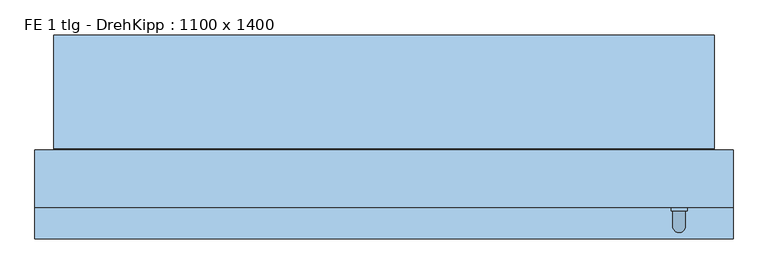
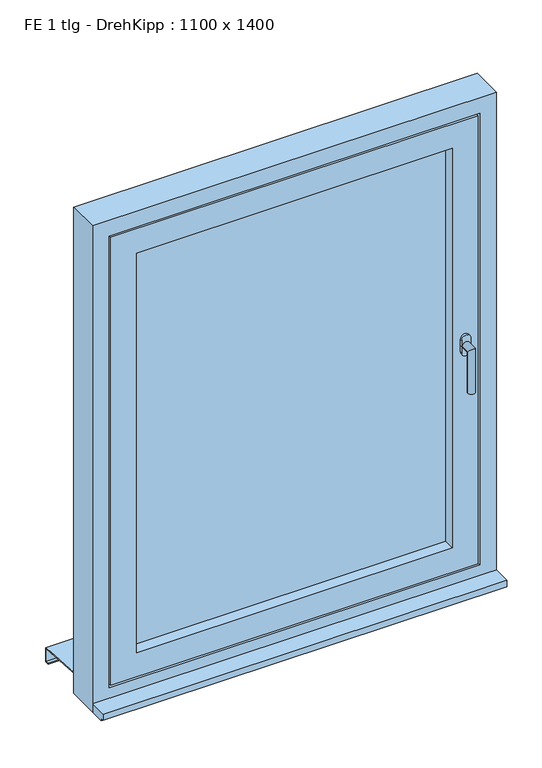
"""IFC4 building model written with IfcOpenShell, lengths in millimetres: window geometry, FE 1 tlg - DrehKipp : 1100 x 1400."""

from ifc_helpers import new_model, si_unit, frame, origin, place, context, project, spatial, polyline, circle_curve, ellipse_curve, outline, extrude, faceted_brep, source, transform, mapped, element, save
from ifc_brep_helpers import plane_surface, cylinder_surface, advanced_brep


def fe_1_tlg_drehkipp_1100_x_1400_ea7e7e76(model_context):
    return source(origin(), model_context, "Body", "SolidModel", [
        advanced_brep(
        [(452.5, -100.0, 1572.5), (477.5, -100.0, 1572.5), (477.5, -100.0, 1555.0), (477.5, -100.0, 1537.5), (452.5, -100.0, 1537.5), (452.5, -100.0, 1555.0), (475.0, -130.0, 1555.0), (475.0, -106.0, 1555.0), (455.0, -106.0, 1555.0), (455.0, -130.0, 1555.0), (475.0, -130.0, 1435.0), (455.0, -130.0, 1435.0), (452.5, -106.0, 1572.5), (452.5, -106.0, 1555.0), (452.5, -106.0, 1537.5), (477.5, -106.0, 1537.5), (477.5, -106.0, 1555.0), (477.5, -106.0, 1572.5)],
        [
            (0, 1, circle_curve(frame((465.0, -100.0, 1572.5), z_axis=(0.0, 1.0, 0.0), x_axis=(-1.0, 0.0, 0.0)), 12.5)),
            (1, 2),
            (2, 3),
            (3, 4, circle_curve(frame((465.0, -100.0, 1537.5), z_axis=(0.0, 1.0, 0.0), x_axis=(-1.0, 0.0, 0.0)), 12.5)),
            (4, 5),
            (5, 0),
            (6, 7),
            (7, 8, circle_curve(frame((465.0, -106.0, 1555.0), z_axis=(0.0, -1.0, 0.0), x_axis=(-1.0, 0.0, 0.0)), 10.0)),
            (8, 9),
            (9, 6, ellipse_curve(frame((465.0, -130.0, 1555.0), z_axis=(0.0, 0.7071067811865498, 0.7071067811865451), x_axis=(0.0, 0.7071067811865452, -0.7071067811865497)), 14.1421356, 10.0)),
            (8, 7, circle_curve(frame((465.0, -106.0, 1555.0), z_axis=(0.0, -1.0, 0.0), x_axis=(-1.0, 0.0, 0.0)), 10.0)),
            (6, 9, ellipse_curve(frame((465.0, -130.0, 1555.0), z_axis=(0.0, 0.7071067811865498, 0.7071067811865451), x_axis=(0.0, 0.7071067811865452, -0.7071067811865497)), 14.1421356, 10.0)),
            (10, 11, circle_curve(frame((465.0, -130.0, 1435.0), z_axis=(0.0, 0.0, -1.0), x_axis=(-1.0, 0.0, 0.0)), 10.0)),
            (11, 10, circle_curve(frame((465.0, -130.0, 1435.0), z_axis=(0.0, 0.0, -1.0), x_axis=(-1.0, 0.0, 0.0)), 10.0)),
            (9, 11),
            (10, 6),
            (12, 13),
            (13, 14),
            (14, 15, circle_curve(frame((465.0, -106.0, 1537.5), z_axis=(0.0, -1.0, 0.0), x_axis=(-1.0, 0.0, 0.0)), 12.5)),
            (15, 16),
            (16, 17),
            (17, 12, circle_curve(frame((465.0, -106.0, 1572.5), z_axis=(0.0, -1.0, 0.0), x_axis=(-1.0, 0.0, 0.0)), 12.5)),
            (17, 1),
            (0, 12),
            (16, 2),
            (15, 3),
            (14, 4),
            (13, 5),
        ],
        [
            plane_surface(frame((465.0, -100.0, 1555.0), z_axis=(0.0, 1.0, 0.0), x_axis=(-1.0, 0.0, 0.0))),
            cylinder_surface(frame((465.0, -100.0, 1555.0), z_axis=(0.0, 1.0, 0.0), x_axis=(-1.0, 0.0, 0.0)), 10.0),
            plane_surface(frame((465.0, -130.0, 1435.0), z_axis=(0.0, 0.0, -1.0), x_axis=(-1.0, 0.0, 0.0))),
            cylinder_surface(frame((465.0, -130.0, 1555.0), z_axis=(0.0, 0.0, 1.0), x_axis=(-1.0, 0.0, 0.0)), 10.0),
            plane_surface(frame((452.5, -106.0, 1572.5), z_axis=(0.0, -1.0, 0.0), x_axis=(0.0, 0.0, 1.0))),
            cylinder_surface(frame((465.0, -100.0, 1572.5), z_axis=(0.0, -1.0, 0.0), x_axis=(-1.0, 0.0, 0.0)), 12.5),
            plane_surface(frame((477.5, -106.0, 1572.5), z_axis=(1.0, 0.0, 0.0), x_axis=(0.0, 1.0, 0.0))),
            plane_surface(frame((477.5, -106.0, 1555.0), z_axis=(1.0, 0.0, 0.0), x_axis=(0.0, 1.0, 0.0))),
            cylinder_surface(frame((465.0, -100.0, 1537.5), z_axis=(0.0, -1.0, 0.0), x_axis=(-1.0, 0.0, 0.0)), 12.5),
            plane_surface(frame((452.5, -106.0, 1537.5), z_axis=(-1.0, 0.0, 0.0), x_axis=(0.0, 1.0, 0.0))),
            plane_surface(frame((452.5, -106.0, 1555.0), z_axis=(-1.0, 0.0, 0.0), x_axis=(0.0, 1.0, 0.0))),
        ],
        [
            (0, [[1, 2, 3, 4, 5, 6]]),
            (1, [[7, 8, 9, 10]]),
            (1, [[-9, 11, -7, 12]]),
            (2, [[13, 14]]),
            (3, [[15, -13, 16, -10]]),
            (3, [[-16, -14, -15, -12]]),
            (4, [[17, 18, 19, 20, 21, 22], [-11, -8]]),
            (5, [[23, -1, 24, -22]]),
            (6, [[25, -2, -23, -21]]),
            (7, [[26, -3, -25, -20]]),
            (8, [[27, -4, -26, -19]]),
            (9, [[28, -5, -27, -18]]),
            (10, [[-24, -6, -28, -17]]),
        ],
    ),
        faceted_brep([(-430.0, -100.0, 2130.0), (-430.0, -100.0, 980.0), (-430.0, -10.0, 980.0), (-430.0, -10.0, 2130.0), (-460.0, -10.0, 950.0), (-460.0, -10.0, 2160.0), (460.0, -10.0, 2160.0), (460.0, -10.0, 950.0), (430.0, -10.0, 980.0), (430.0, -10.0, 2130.0), (430.0, -100.0, 980.0), (-500.0, -100.0, 2200.0), (-500.0, -100.0, 910.0), (500.0, -100.0, 910.0), (500.0, -100.0, 2200.0), (430.0, -100.0, 2130.0), (-500.0, -85.0, 2200.0), (-500.0, -85.0, 910.0), (500.0, -85.0, 910.0), (500.0, -85.0, 2200.0), (-485.0, -85.0, 2185.0), (-485.0, -85.0, 925.0), (485.0, -85.0, 925.0), (485.0, -85.0, 2185.0), (-485.0, -55.0, 2185.0), (-485.0, -55.0, 925.0), (485.0, -55.0, 925.0), (485.0, -55.0, 2185.0), (-475.0, -55.0, 2175.0), (-475.0, -55.0, 935.0), (475.0, -55.0, 935.0), (475.0, -55.0, 2175.0), (-475.0, -25.0, 2175.0), (-475.0, -25.0, 935.0), (475.0, -25.0, 935.0), (475.0, -25.0, 2175.0), (-460.0, -25.0, 2160.0), (-460.0, -25.0, 950.0), (460.0, -25.0, 950.0), (460.0, -25.0, 2160.0)], [[[0, 1, 2, 3]], [[4, 5, 6, 7], [3, 2, 8, 9]], [[1, 10, 8, 2]], [[11, 12, 13, 14], [1, 0, 15, 10]], [[16, 17, 12, 11]], [[17, 18, 13, 12]], [[17, 16, 19, 18], [20, 21, 22, 23]], [[24, 25, 21, 20]], [[25, 26, 22, 21]], [[25, 24, 27, 26], [28, 29, 30, 31]], [[32, 33, 29, 28]], [[33, 34, 30, 29]], [[33, 32, 35, 34], [36, 37, 38, 39]], [[5, 4, 37, 36]], [[4, 7, 38, 37]], [[10, 15, 9, 8]], [[18, 19, 14, 13]], [[26, 27, 23, 22]], [[34, 35, 31, 30]], [[7, 6, 39, 38]], [[15, 0, 3, 9]], [[19, 16, 11, 14]], [[27, 24, 20, 23]], [[35, 32, 28, 31]], [[6, 5, 36, 39]]]),
        extrude(outline(polyline([(-430.0, -25.0), (430.0, -25.0), (430.0, -69.0), (-430.0, -69.0), (-430.0, -25.0)])), frame((0.0, 0.0, 980.0), z_axis=(0.0, 0.0, 1.0), x_axis=(1.0, 0.0, 0.0)), (0.0, 0.0, 1.0), 1150.0),
        faceted_brep([(-520.0, 172.0, 860.6252434), (-520.0, 150.0, 862.0002434), (-520.0, -8.0, 871.8752434), (520.0, -8.0, 871.8752434), (520.0, 150.0, 862.0002434), (520.0, 172.0, 860.6252434), (-520.0, 172.0, 820.6252434), (520.0, 172.0, 820.6252434), (-520.0, 160.0, 820.6252434), (520.0, 160.0, 820.6252434), (-520.0, 160.0, 822.6252434), (520.0, 160.0, 822.6252434), (-520.0, 170.0, 822.6252434), (520.0, 170.0, 822.6252434), (-520.0, 170.0, 858.75), (520.0, 170.0, 858.75), (-520.0, 150.0, 860.0), (520.0, 150.0, 860.0), (520.0, -10.0, 870.0), (-520.0, -10.0, 870.0), (-520.0, -10.0, 890.0), (520.0, -10.0, 890.0), (-520.0, -8.0, 890.0), (520.0, -8.0, 890.0)], [[[0, 1, 2, 3, 4, 5]], [[6, 0, 5, 7]], [[8, 6, 7, 9]], [[10, 8, 9, 11]], [[12, 10, 11, 13]], [[14, 12, 13, 15]], [[16, 14, 15, 17, 18, 19]], [[20, 19, 18, 21]], [[22, 20, 21, 23]], [[2, 22, 23, 3]], [[16, 1, 0, 6, 8, 10, 12, 14]], [[17, 4, 3, 23, 21, 18]], [[1, 16, 19, 20, 22, 2]], [[4, 17, 15, 13, 11, 9, 7, 5]]]),
        faceted_brep([(550.0, -10.0, 850.0), (550.0, -100.0, 850.0), (-550.0, -100.0, 850.0), (-550.0, -10.0, 850.0), (550.0, -10.0, 2250.0), (550.0, -100.0, 2250.0), (-550.0, -100.0, 2250.0), (505.0, -100.0, 2205.0), (505.0, -100.0, 905.0), (-505.0, -100.0, 905.0), (-505.0, -100.0, 2205.0), (-550.0, -10.0, 2250.0), (465.0, -10.0, 945.0), (465.0, -10.0, 2165.0), (-465.0, -10.0, 2165.0), (-465.0, -10.0, 945.0), (465.0, -25.0, 945.0), (465.0, -25.0, 2165.0), (-465.0, -25.0, 945.0), (-465.0, -25.0, 2165.0), (505.0, -85.0, 2205.0), (505.0, -85.0, 905.0), (-505.0, -85.0, 905.0), (-505.0, -85.0, 2205.0), (490.0, -85.0, 2190.0), (490.0, -85.0, 920.0), (-490.0, -85.0, 920.0), (-490.0, -85.0, 2190.0), (490.0, -55.0, 920.0), (490.0, -55.0, 2190.0), (-490.0, -55.0, 2190.0), (-490.0, -55.0, 920.0), (480.0, -55.0, 2180.0), (480.0, -55.0, 930.0), (-480.0, -55.0, 930.0), (-480.0, -55.0, 2180.0), (480.0, -25.0, 930.0), (480.0, -25.0, 2180.0), (-480.0, -25.0, 2180.0), (-480.0, -25.0, 930.0)], [[[0, 1, 2, 3]], [[4, 5, 1, 0]], [[5, 6, 2, 1], [7, 8, 9, 10]], [[6, 11, 3, 2]], [[11, 4, 0, 3], [12, 13, 14, 15]], [[12, 16, 17, 13]], [[18, 15, 14, 19]], [[16, 12, 15, 18]], [[20, 21, 8, 7]], [[8, 21, 22, 9]], [[9, 22, 23, 10]], [[21, 20, 23, 22], [24, 25, 26, 27]], [[28, 29, 30, 31], [32, 33, 34, 35]], [[29, 28, 25, 24]], [[25, 28, 31, 26]], [[36, 37, 38, 39], [17, 16, 18, 19]], [[37, 36, 33, 32]], [[33, 36, 39, 34]], [[26, 31, 30, 27]], [[34, 39, 38, 35]], [[4, 11, 6, 5]], [[20, 7, 10, 23]], [[29, 24, 27, 30]], [[37, 32, 35, 38]], [[13, 17, 19, 14]]]),
        extrude(outline(polyline([(-150.0, 875.0), (-100.0, 875.0), (-100.0, 850.0), (-140.0, 850.0), (-140.0, 857.0), (-150.0, 857.0), (-150.0, 875.0)])), frame((-550.0, 0.0, 0.0), z_axis=(1.0, 0.0, 0.0), x_axis=(0.0, 1.0, 0.0)), (0.0, 0.0, 1.0), 1100.0),
    ])


if __name__ == "__main__":
    model = new_model("IFC4")
    model_context = context("Model", 3, world=origin())
    ifc_project = project(units=[si_unit("LENGTHUNIT", "METRE", prefix="MILLI")], contexts=[model_context])
    site = spatial("IfcSite", under=ifc_project)
    building = spatial("IfcBuilding", under=site)
    placement = place(None, origin())
    fe_1_tlg_drehkipp_1100_x_1400_shape = fe_1_tlg_drehkipp_1100_x_1400_ea7e7e76(model_context)
    element("IfcWindow", 1, ObjectType="FE 1 tlg - DrehKipp : 1100 x 1400", at=placement, inside=building, context=model_context, shape_type="MappedRepresentation", body=[
        mapped(fe_1_tlg_drehkipp_1100_x_1400_shape, transform((0.0, 0.0, 0.0), x_axis=(1.0, 0.0, 0.0), y_axis=(0.0, 1.0, 0.0), z_axis=(0.0, 0.0, 1.0))),
    ])
    save(model, "model.ifc")
